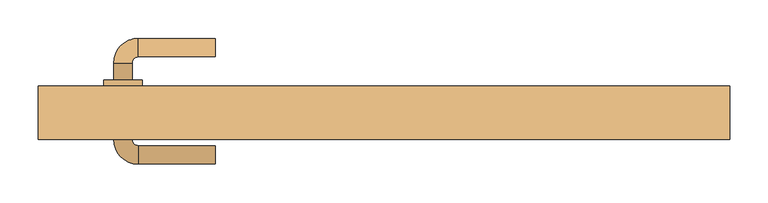
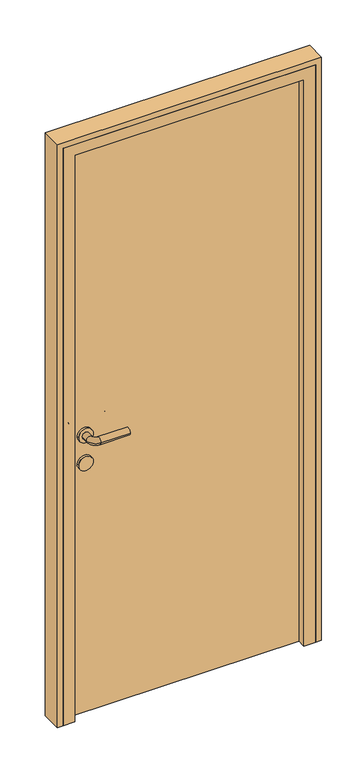
"""IFC4 building model written with IfcOpenShell, lengths in millimetres: door geometry."""

from ifc_helpers import new_model, si_unit, point, frame, frame_2d, origin, origin_with_axes, place, context, project, spatial, polyline, circle_curve, ellipse_curve, trimmed, segment, composite_curve, outline, extrude, faceted_brep, source, transform, mapped, element, save
from ifc_brep_helpers import plane_surface, cylinder_surface, revolved_surface, advanced_brep


def door_d63a4799(model_context):
    return source(origin(), model_context, "Body", "SolidModel", [
        advanced_brep(
        [(-220.0, 112.0, 1000.0), (-220.0, 88.0, 1000.0), (-320.0, 112.0, 1000.0), (-320.0, 88.0, 1000.0), (-352.0, 80.0, 1000.0), (-328.0, 80.0, 1000.0), (-352.0, 58.0, 1000.0), (-328.0, 58.0, 1000.0), (-352.0, -20.0, 1000.0), (-328.0, -20.0, 1000.0), (-328.0, 2.0, 1000.0), (-352.0, 2.0, 1000.0), (-320.0, -52.0, 1000.0), (-320.0, -28.0, 1000.0), (-220.0, -52.0, 1000.0), (-220.0, -28.0, 1000.0), (-365.0, 58.0, 1000.0), (-315.0, 58.0, 1000.0), (-365.0, 2.0, 1000.0), (-315.0, 2.0, 1000.0)],
        [
            (0, 1, circle_curve(frame((-220.0, 100.0, 1000.0), z_axis=(1.0, 0.0, 0.0), x_axis=(0.0, -1.0, 0.0)), 12.0)),
            (1, 0, circle_curve(frame((-220.0, 100.0, 1000.0), z_axis=(1.0, 0.0, 0.0), x_axis=(0.0, -1.0, 0.0)), 12.0)),
            (0, 2),
            (2, 3, circle_curve(frame((-320.0, 100.0, 1000.0), z_axis=(1.0, 0.0, 0.0), x_axis=(0.0, -1.0, 0.0)), 12.0)),
            (3, 1),
            (3, 2, circle_curve(frame((-320.0, 100.0, 1000.0), z_axis=(1.0, 0.0, 0.0), x_axis=(0.0, -1.0, 0.0)), 12.0)),
            (2, 4, circle_curve(frame((-320.0, 80.0, 1000.0), z_axis=(0.0, 0.0, 1.0), x_axis=(0.0, 1.0, 0.0)), 32.0)),
            (4, 5, circle_curve(frame((-340.0, 80.0, 1000.0), z_axis=(0.0, 1.0, 0.0), x_axis=(1.0, 0.0, 0.0)), 12.0)),
            (5, 3, circle_curve(frame((-320.0, 80.0, 1000.0), z_axis=(0.0, 0.0, -1.0), x_axis=(0.0, 1.0, 0.0)), 8.0)),
            (5, 4, circle_curve(frame((-340.0, 80.0, 1000.0), z_axis=(0.0, 1.0, 0.0), x_axis=(1.0, 0.0, 0.0)), 12.0)),
            (4, 6),
            (6, 7, circle_curve(frame((-340.0, 58.0, 1000.0), z_axis=(0.0, 1.0, 0.0), x_axis=(1.0, 0.0, 0.0)), 12.0)),
            (7, 5),
            (8, 9, circle_curve(frame((-340.0, -20.0, 1000.0), z_axis=(0.0, 1.0, 0.0), x_axis=(1.0, 0.0, 0.0)), 12.0)),
            (9, 10),
            (10, 11, circle_curve(frame((-340.0, 2.0, 1000.0), z_axis=(0.0, -1.0, 0.0), x_axis=(1.0, 0.0, 0.0)), 12.0)),
            (11, 8),
            (7, 6, circle_curve(frame((-340.0, 58.0, 1000.0), z_axis=(0.0, 1.0, 0.0), x_axis=(1.0, 0.0, 0.0)), 12.0)),
            (9, 8, circle_curve(frame((-340.0, -20.0, 1000.0), z_axis=(0.0, 1.0, 0.0), x_axis=(1.0, 0.0, 0.0)), 12.0)),
            (11, 10, circle_curve(frame((-340.0, 2.0, 1000.0), z_axis=(0.0, -1.0, 0.0), x_axis=(1.0, 0.0, 0.0)), 12.0)),
            (8, 12, circle_curve(frame((-320.0, -20.0, 1000.0), z_axis=(0.0, 0.0, 1.0), x_axis=(-1.0, 0.0, 0.0)), 32.0)),
            (12, 13, circle_curve(frame((-320.0, -40.0, 1000.0), z_axis=(-1.0, 0.0, 0.0), x_axis=(0.0, 1.0, 0.0)), 12.0)),
            (13, 9, circle_curve(frame((-320.0, -20.0, 1000.0), z_axis=(0.0, 0.0, -1.0), x_axis=(-1.0, 0.0, 0.0)), 8.0)),
            (13, 12, circle_curve(frame((-320.0, -40.0, 1000.0), z_axis=(-1.0, 0.0, 0.0), x_axis=(0.0, 1.0, 0.0)), 12.0)),
            (14, 15, circle_curve(frame((-220.0, -40.0, 1000.0), z_axis=(1.0, 0.0, 0.0), x_axis=(0.0, 1.0, 0.0)), 12.0)),
            (15, 14, circle_curve(frame((-220.0, -40.0, 1000.0), z_axis=(1.0, 0.0, 0.0), x_axis=(0.0, 1.0, 0.0)), 12.0)),
            (12, 14),
            (15, 13),
            (16, 17, circle_curve(frame((-340.0, 58.0, 1000.0), z_axis=(0.0, 1.0, 0.0), x_axis=(1.0, 0.0, 0.0)), 25.0)),
            (17, 16, circle_curve(frame((-340.0, 58.0, 1000.0), z_axis=(0.0, 1.0, 0.0), x_axis=(1.0, 0.0, 0.0)), 25.0)),
            (18, 19, circle_curve(frame((-340.0, 2.0, 1000.0), z_axis=(0.0, -1.0, 0.0), x_axis=(1.0, 0.0, 0.0)), 25.0)),
            (19, 18, circle_curve(frame((-340.0, 2.0, 1000.0), z_axis=(0.0, -1.0, 0.0), x_axis=(1.0, 0.0, 0.0)), 25.0)),
            (17, 19),
            (18, 16),
        ],
        [
            plane_surface(frame((-220.0, 100.0, 1000.0), z_axis=(1.0, 0.0, 0.0), x_axis=(0.0, 0.0, 1.0))),
            cylinder_surface(frame((-220.0, 100.0, 1000.0), z_axis=(1.0, 0.0, 0.0), x_axis=(0.0, -1.0, 0.0)), 12.0),
            revolved_surface(trimmed(ellipse_curve(frame((-320.0, 100.0, 1000.0), z_axis=(1.0, 0.0, 0.0), x_axis=(0.0, -1.0, 0.0)), 12.0, 12.0), [point((-320.0, 112.0, 1000.0))], [point((-320.0, 88.0, 1000.0))], True, "CARTESIAN"), (-320.0, 80.0, 1000.0), (0.0, 0.0, 1.0)),
            revolved_surface(trimmed(ellipse_curve(frame((-320.0, 100.0, 1000.0), z_axis=(1.0, 0.0, 0.0), x_axis=(0.0, -1.0, 0.0)), 12.0, 12.0), [point((-320.0, 88.0, 1000.0))], [point((-320.0, 112.0, 1000.0))], True, "CARTESIAN"), (-320.0, 80.0, 1000.0), (0.0, 0.0, 1.0)),
            cylinder_surface(frame((-340.0, 80.0, 1000.0), z_axis=(0.0, 1.0, 0.0), x_axis=(1.0, 0.0, 0.0)), 12.0),
            revolved_surface(trimmed(ellipse_curve(frame((-340.0, -20.0, 1000.0), z_axis=(0.0, 1.0, 0.0), x_axis=(1.0, 0.0, 0.0)), 12.0, 12.0), [point((-352.0, -20.0, 1000.0))], [point((-328.0, -20.0, 1000.0))], True, "CARTESIAN"), (-320.0, -20.0, 1000.0), (0.0, 0.0, 1.0)),
            revolved_surface(trimmed(ellipse_curve(frame((-340.0, -20.0, 1000.0), z_axis=(0.0, 1.0, 0.0), x_axis=(1.0, 0.0, 0.0)), 12.0, 12.0), [point((-328.0, -20.0, 1000.0))], [point((-352.0, -20.0, 1000.0))], True, "CARTESIAN"), (-320.0, -20.0, 1000.0), (0.0, 0.0, 1.0)),
            plane_surface(frame((-220.0, -40.0, 1000.0), z_axis=(1.0, 0.0, 0.0), x_axis=(0.0, 0.0, 1.0))),
            cylinder_surface(frame((-320.0, -40.0, 1000.0), z_axis=(-1.0, 0.0, 0.0), x_axis=(0.0, 1.0, 0.0)), 12.0),
            plane_surface(frame((-315.0, 58.0, 1000.0), z_axis=(0.0, 1.0, 0.0), x_axis=(0.0, 0.0, -1.0))),
            plane_surface(frame((-315.0, 2.0, 1000.0), z_axis=(0.0, -1.0, 0.0), x_axis=(0.0, 0.0, 1.0))),
            cylinder_surface(frame((-340.0, 58.0, 1000.0), z_axis=(0.0, -1.0, 0.0), x_axis=(1.0, 0.0, 0.0)), 25.0),
        ],
        [
            (0, [[1, 2]]),
            (1, [[-1, 3, 4, 5]]),
            (1, [[-2, -5, 6, -3]]),
            (2, [[-4, 7, 8, 9]]),
            (3, [[-6, -9, 10, -7]]),
            (4, [[-8, 11, 12, 13]]),
            (4, [[14, 15, 16, 17]]),
            (4, [[-10, -13, 18, -11]]),
            (4, [[19, -17, 20, -15]]),
            (5, [[-14, 21, 22, 23]]),
            (6, [[-19, -23, 24, -21]]),
            (7, [[25, 26]]),
            (8, [[-22, 27, -26, 28]]),
            (8, [[-24, -28, -25, -27]]),
            (9, [[29, 30], [-12, -18]]),
            (10, [[31, 32], [-16, -20]]),
            (11, [[-30, 33, -31, 34]]),
            (11, [[-29, -34, -32, -33]]),
        ],
    ),
        extrude(outline(composite_curve([segment(trimmed(circle_curve(frame_2d((900.0, -340.0)), 25.0), [point((900.0, -365.0))], [point((900.0, -315.0))], False, "CARTESIAN"), True, "CONTINUOUS"), segment(trimmed(circle_curve(frame_2d((900.0, -340.0)), 25.0), [point((900.0, -315.0))], [point((900.0, -365.0))], False, "CARTESIAN"), True, "CONTINUOUS")], self_intersect=False)), frame((0.0, 2.0, 0.0), z_axis=(0.0, 1.0, 0.0), x_axis=(0.0, 0.0, 1.0)), (0.0, 0.0, 1.0), 56.0),
        extrude(outline(polyline([(400.0, 10.0), (-400.0, 10.0), (-400.0, 50.0), (400.0, 50.0), (400.0, 10.0)])), origin_with_axes(), (0.0, 0.0, 1.0), 2050.0),
        extrude(outline(polyline([(0.0, 450.0), (2100.0, 450.0), (2100.0, -450.0), (0.0, -450.0), (0.0, -430.0), (2080.0, -430.0), (2080.0, 430.0), (0.0, 430.0), (0.0, 450.0)])), frame((0.0, -20.0, 0.0), z_axis=(0.0, 1.0, 0.0), x_axis=(0.0, 0.0, 1.0)), (0.0, 0.0, 1.0), 70.0),
        faceted_brep([(-430.0, -20.0, 0.0), (-430.0, 50.0, 0.0), (-400.0, 50.0, 0.0), (-400.0, 10.0, 0.0), (-390.0, 10.0, 0.0), (-390.0, -20.0, 0.0), (-430.0, -20.0, 2080.0), (-430.0, 50.0, 2080.0), (430.0, 50.0, 2080.0), (430.0, 50.0, 0.0), (400.0, 50.0, 0.0), (400.0, 50.0, 2050.0), (-400.0, 50.0, 2050.0), (-400.0, 10.0, 2050.0), (400.0, 10.0, 2050.0), (400.0, 10.0, 0.0), (390.0, 10.0, 0.0), (390.0, 10.0, 2040.0), (-390.0, 10.0, 2040.0), (-390.0, -20.0, 2040.0), (390.0, -20.0, 2040.0), (390.0, -20.0, 0.0), (430.0, -20.0, 0.0), (430.0, -20.0, 2080.0)], [[[0, 1, 2, 3, 4, 5]], [[1, 0, 6, 7]], [[2, 1, 7, 8, 9, 10, 11, 12]], [[3, 2, 12, 13]], [[4, 3, 13, 14, 15, 16, 17, 18]], [[5, 4, 18, 19]], [[0, 5, 19, 20, 21, 22, 23, 6]], [[7, 6, 23, 8]], [[13, 12, 11, 14]], [[19, 18, 17, 20]], [[22, 21, 16, 15, 10, 9]], [[8, 23, 22, 9]], [[14, 11, 10, 15]], [[20, 17, 16, 21]]]),
    ])


if __name__ == "__main__":
    model = new_model("IFC4")
    model_context = context("Model", 3, world=origin())
    ifc_project = project(units=[si_unit("LENGTHUNIT", "METRE", prefix="MILLI")], contexts=[model_context])
    site = spatial("IfcSite", under=ifc_project)
    building = spatial("IfcBuilding", under=site)
    placement = place(None, origin())
    door_shape = door_d63a4799(model_context)
    element("IfcDoor", 1, at=placement, inside=building, context=model_context, shape_type="MappedRepresentation", body=[
        mapped(door_shape, transform((0.0, 0.0, 0.0), x_axis=(1.0, 0.0, 0.0), y_axis=(0.0, 1.0, 0.0), z_axis=(0.0, 0.0, 1.0))),
    ])
    save(model, "model.ifc")
